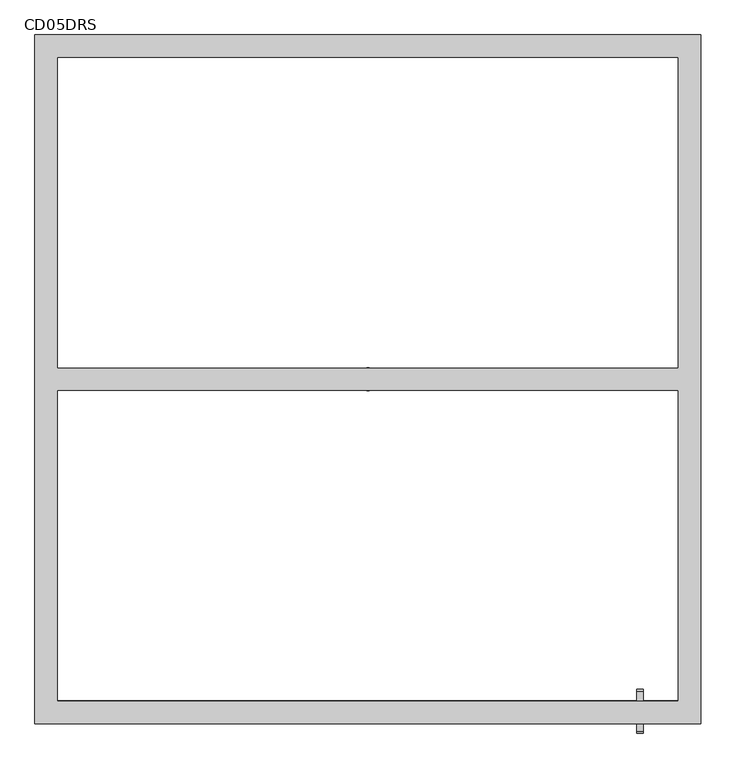
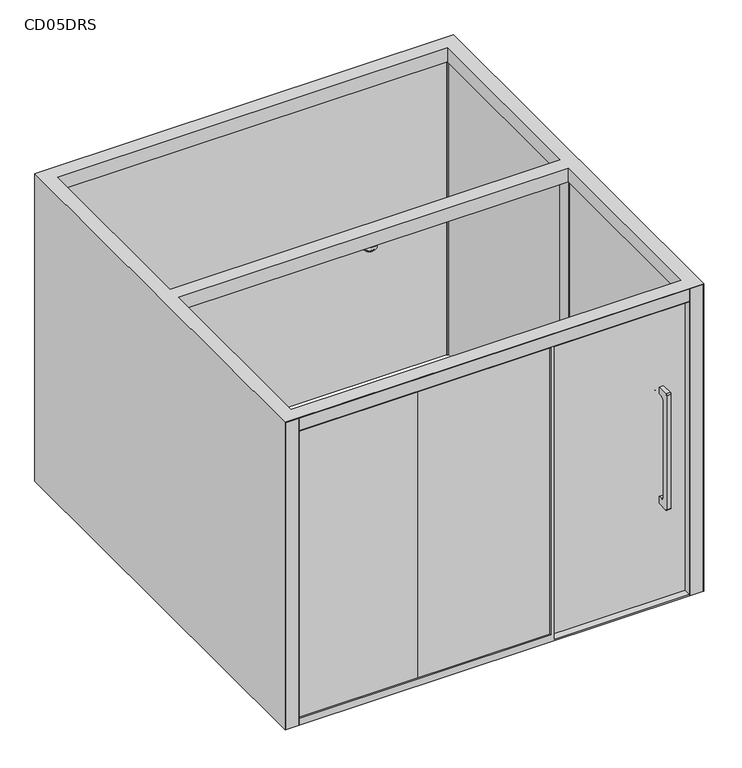
"""IFC4 building model written with IfcOpenShell, lengths in millimetres: furniture geometry, CD05DRS."""

from ifc_helpers import new_model, si_unit, point, frame, frame_2d, origin, origin_with_axes, place, context, project, spatial, polyline, circle_curve, ellipse_curve, trimmed, segment, composite_curve, outline, extrude, faceted_brep, source, transform, mapped, element, save
from ifc_brep_helpers import plane_surface, cylinder_surface, revolved_surface, advanced_brep


def cd05drs_09f4991d(model_context):
    return source(origin(), model_context, "Body", "SolidModel", [
        faceted_brep([(390.0, -1425.0, 50.0), (390.0, -1400.0, 50.0), (-1350.0, -1400.0, 50.0), (-1350.0, -1500.0, 50.0), (390.0, -1500.0, 50.0), (390.0, -1450.0, 50.0), (-590.0, -1450.0, 50.0), (-590.0, -1425.0, 50.0), (-1450.0, 1500.0, 0.0), (1450.0, 1500.0, 0.0), (1450.0, -1500.0, 0.0), (1447.0, -1500.0, 0.0), (1447.0, -1490.0, 0.0), (1353.0, -1490.0, 0.0), (1353.0, -1500.0, 0.0), (-1353.0, -1500.0, 0.0), (-1353.0, -1490.0, 0.0), (-1447.0, -1490.0, 0.0), (-1447.0, -1500.0, 0.0), (-1450.0, -1500.0, 0.0), (1360.0, -1400.0, 0.0), (1360.0, -50.0, 0.0), (1350.0, -50.0, 0.0), (1350.0, 50.0, 0.0), (1360.0, 50.0, 0.0), (1360.0, 1400.0, 0.0), (1350.0, 1400.0, 0.0), (1350.0, 1410.0, 0.0), (-1350.0, 1410.0, 0.0), (-1350.0, 1400.0, 0.0), (-1360.0, 1400.0, 0.0), (-1360.0, 50.0, 0.0), (-1350.0, 50.0, 0.0), (-1350.0, -50.0, 0.0), (-1360.0, -50.0, 0.0), (-1360.0, -1400.0, 0.0), (-1450.0, 1500.0, 2250.0), (1450.0, 1500.0, 2250.0), (-1450.0, -1500.0, 2250.0), (-1350.0, 50.0, 2150.0), (-1350.0, -50.0, 2150.0), (-1350.0, -1400.0, 2250.0), (-1350.0, -1400.0, 2150.0), (-1350.0, -50.0, 2250.0), (-1350.0, 1400.0, 2150.0), (-1350.0, 1400.0, 2250.0), (-1350.0, 50.0, 2250.0), (-1360.0, 1400.0, 2150.0), (1360.0, 50.0, 2150.0), (1360.0, 1400.0, 2150.0), (1450.0, -1500.0, 2250.0), (1350.0, 50.0, 2150.0), (1350.0, -50.0, 2150.0), (1350.0, 1400.0, 2250.0), (1350.0, 1400.0, 2150.0), (1350.0, 50.0, 2250.0), (1350.0, -1400.0, 2150.0), (1350.0, -1400.0, 2250.0), (1350.0, -50.0, 2250.0), (1360.0, -50.0, 2150.0), (1360.0, -1400.0, 2150.0), (-1360.0, -50.0, 2150.0), (-1360.0, -1400.0, 2150.0), (-1360.0, 50.0, 2150.0), (-1350.0, 1410.0, 2150.0), (1350.0, 1410.0, 2150.0), (-1353.0, -1490.0, 2153.0), (1353.0, -1490.0, 2153.0), (1447.0, -1490.0, 2247.0), (-1447.0, -1490.0, 2247.0), (1353.0, -1500.0, 2153.0), (-1353.0, -1500.0, 2153.0), (-1350.0, -1500.0, 2150.0), (390.0, -1500.0, 2150.0), (415.0, -1500.0, 10.0), (415.0, -1500.0, 2150.0), (1350.0, -1500.0, 2150.0), (1350.0, -1500.0, 10.0), (-1447.0, -1500.0, 2247.0), (1447.0, -1500.0, 2247.0), (-590.0, -1450.0, 10.0), (-590.0, -1425.0, 10.0), (390.0, -1400.0, 10.0), (1350.0, -1400.0, 10.0), (390.0, -1425.0, 10.0), (415.0, -1450.0, 10.0), (390.0, -1450.0, 2150.0), (415.0, -1450.0, 2150.0)], [[[0, 1, 2, 3, 4, 5, 6, 7]], [[8, 9, 10, 11, 12, 13, 14, 15, 16, 17, 18, 19], [20, 21, 22, 23, 24, 25, 26, 27, 28, 29, 30, 31, 32, 33, 34, 35]], [[9, 8, 36, 37]], [[8, 19, 38, 36]], [[33, 32, 39, 40]], [[41, 42, 40, 43]], [[44, 45, 46, 39]], [[30, 29, 44, 47]], [[25, 24, 48, 49]], [[10, 9, 37, 50]], [[24, 23, 51, 48]], [[23, 22, 52, 51]], [[53, 54, 51, 55]], [[56, 57, 58, 52]], [[22, 21, 59, 52]], [[21, 20, 60, 59]], [[35, 34, 61, 62]], [[34, 33, 40, 61]], [[32, 31, 63, 39]], [[31, 30, 47, 63]], [[29, 28, 64, 44]], [[28, 27, 65, 64]], [[27, 26, 54, 65]], [[26, 25, 49, 54]], [[17, 16, 66, 67, 13, 12, 68, 69]], [[15, 14, 70, 71], [4, 3, 72, 73], [74, 75, 76, 77]], [[38, 19, 18, 78, 79, 11, 10, 50]], [[7, 6, 80, 81]], [[82, 83, 56, 60, 20, 35, 62, 42, 2, 1]], [[0, 84, 82, 1]], [[84, 0, 7, 81]], [[84, 81, 80, 85, 74, 77, 83, 82]], [[6, 5, 86, 87, 85, 80]], [[2, 42, 72, 3]], [[56, 83, 77, 76]], [[4, 73, 86, 5]], [[87, 75, 74, 85]], [[50, 37, 36, 38], [57, 41, 43, 58], [45, 53, 55, 46]], [[40, 42, 62, 61]], [[44, 39, 63, 47]], [[51, 54, 49, 48]], [[56, 52, 59, 60]], [[72, 42, 56, 76, 75, 87, 86, 73]], [[54, 44, 64, 65]], [[41, 57, 56, 42]], [[53, 45, 44, 54]], [[52, 40, 39, 51]], [[51, 39, 46, 55]], [[40, 52, 58, 43]], [[78, 18, 17, 69]], [[79, 78, 69, 68]], [[71, 70, 67, 66]], [[15, 71, 66, 16]], [[11, 79, 68, 12]], [[70, 14, 13, 67]]]),
        extrude(outline(composite_curve([segment(polyline([(-1440.0, 1510.0), (-1440.0, 1560.0), (-1358.0, 1560.0)]), True, "CONTINUOUS"), segment(trimmed(circle_curve(frame_2d((-1358.0, 1552.0)), 8.0), [point((-1358.0, 1560.0))], [point((-1350.0, 1552.0))], False, "CARTESIAN"), True, "CONTINUOUS"), segment(polyline([(-1350.0, 1552.0), (-1350.0, 718.0)]), True, "CONTINUOUS"), segment(trimmed(circle_curve(frame_2d((-1358.0, 718.0)), 8.0), [point((-1350.0, 718.0))], [point((-1358.0, 710.0))], False, "CARTESIAN"), True, "CONTINUOUS"), segment(polyline([(-1358.0, 710.0), (-1440.0, 710.0), (-1440.0, 760.0), (-1415.0, 760.0)]), True, "CONTINUOUS"), segment(trimmed(circle_curve(frame_2d((-1415.0, 785.0)), 25.0), [point((-1415.0, 760.0))], [point((-1390.0, 785.0))], True, "CARTESIAN"), True, "CONTINUOUS"), segment(polyline([(-1390.0, 785.0), (-1390.0, 1485.0)]), True, "CONTINUOUS"), segment(trimmed(circle_curve(frame_2d((-1415.0, 1485.0)), 25.0), [point((-1390.0, 1485.0))], [point((-1415.0, 1510.0))], True, "CARTESIAN"), True, "CONTINUOUS"), segment(polyline([(-1415.0, 1510.0), (-1440.0, 1510.0)]), True, "CONTINUOUS")], self_intersect=False)), frame((1170.0, 0.0, 0.0), z_axis=(1.0, 0.0, 0.0), x_axis=(0.0, 1.0, 0.0)), (0.0, 0.0, 1.0), 30.0),
        extrude(outline(composite_curve([segment(polyline([(-1450.0, 1510.0), (-1475.0, 1510.0)]), True, "CONTINUOUS"), segment(trimmed(circle_curve(frame_2d((-1475.0, 1485.0)), 25.0), [point((-1475.0, 1510.0))], [point((-1500.0, 1485.0))], True, "CARTESIAN"), True, "CONTINUOUS"), segment(polyline([(-1500.0, 1485.0), (-1500.0, 785.0)]), True, "CONTINUOUS"), segment(trimmed(circle_curve(frame_2d((-1475.0, 785.0)), 25.0), [point((-1500.0, 785.0))], [point((-1475.0, 760.0))], True, "CARTESIAN"), True, "CONTINUOUS"), segment(polyline([(-1475.0, 760.0), (-1450.0, 760.0), (-1450.0, 710.0), (-1532.0, 710.0)]), True, "CONTINUOUS"), segment(trimmed(circle_curve(frame_2d((-1532.0, 718.0)), 8.0), [point((-1532.0, 710.0))], [point((-1540.0, 718.0))], False, "CARTESIAN"), True, "CONTINUOUS"), segment(polyline([(-1540.0, 718.0), (-1540.0, 1552.0)]), True, "CONTINUOUS"), segment(trimmed(circle_curve(frame_2d((-1532.0, 1552.0)), 8.0), [point((-1540.0, 1552.0))], [point((-1532.0, 1560.0))], False, "CARTESIAN"), True, "CONTINUOUS"), segment(polyline([(-1532.0, 1560.0), (-1450.0, 1560.0), (-1450.0, 1510.0)]), True, "CONTINUOUS")], self_intersect=False)), frame((1170.0, 0.0, 0.0), z_axis=(1.0, 0.0, 0.0), x_axis=(0.0, 1.0, 0.0)), (0.0, 0.0, 1.0), 30.0),
        extrude(outline(polyline([(-525.0, -1490.0), (-1350.0, -1490.0), (-1350.0, -1480.0), (-525.0, -1480.0), (-525.0, -1490.0)])), frame((0.0, 0.0, 50.0), z_axis=(0.0, 0.0, 1.0), x_axis=(1.0, 0.0, 0.0)), (0.0, 0.0, 1.0), 2100.0),
        extrude(outline(polyline([(390.0, -1490.0), (-525.0, -1490.0), (-525.0, -1480.0), (390.0, -1480.0), (390.0, -1490.0)])), frame((0.0, 0.0, 50.0), z_axis=(0.0, 0.0, 1.0), x_axis=(1.0, 0.0, 0.0)), (0.0, 0.0, 1.0), 2100.0),
        extrude(outline(polyline([(390.0, -1450.0), (390.0, -1440.0), (1350.0, -1440.0), (1350.0, -1450.0), (390.0, -1450.0)])), frame((0.0, 0.0, 10.0), z_axis=(0.0, 0.0, 1.0), x_axis=(1.0, 0.0, 0.0)), (0.0, 0.0, 1.0), 2140.0),
        extrude(outline(polyline([(-1353.0, -1490.0), (-1353.0, -1500.0), (-1447.0, -1500.0), (-1447.0, -1490.0), (-1353.0, -1490.0)])), origin_with_axes(), (0.0, 0.0, 1.0), 2247.0),
        extrude(outline(polyline([(1447.0, -1490.0), (1447.0, -1500.0), (1353.0, -1500.0), (1353.0, -1490.0), (1447.0, -1490.0)])), origin_with_axes(), (0.0, 0.0, 1.0), 2247.0),
        extrude(outline(polyline([(1350.0, -1500.0), (-1353.0, -1500.0), (-1353.0, -1490.0), (1350.0, -1490.0), (1350.0, -1500.0)])), frame((0.0, 0.0, 2153.0), z_axis=(0.0, 0.0, 1.0), x_axis=(1.0, 0.0, 0.0)), (0.0, 0.0, 1.0), 94.0),
        extrude(outline(polyline([(-1345.0, 17.5), (-1310.0, 17.5), (-1310.0, -17.5), (-1345.0, -17.5), (-1345.0, 17.5)])), frame((0.0, 0.0, 2149.0), z_axis=(0.0, 0.0, 1.0), x_axis=(1.0, 0.0, 0.0)), (0.0, 0.0, 1.0), 1.0),
        extrude(outline(polyline([(-1305.0, -17.5), (-1305.0, 17.5), (-1270.0, 17.5), (-1270.0, -17.5), (-1305.0, -17.5)])), frame((0.0, 0.0, 2149.0), z_axis=(0.0, 0.0, 1.0), x_axis=(1.0, 0.0, 0.0)), (0.0, 0.0, 1.0), 1.0),
        extrude(outline(polyline([(-1230.0, -17.5), (-1265.0, -17.5), (-1265.0, 17.5), (-1230.0, 17.5), (-1230.0, -17.5)])), frame((0.0, 0.0, 2149.0), z_axis=(0.0, 0.0, 1.0), x_axis=(1.0, 0.0, 0.0)), (0.0, 0.0, 1.0), 1.0),
        extrude(outline(polyline([(-1225.0, -17.5), (-1225.0, 17.5), (-1190.0, 17.5), (-1190.0, -17.5), (-1225.0, -17.5)])), frame((0.0, 0.0, 2149.0), z_axis=(0.0, 0.0, 1.0), x_axis=(1.0, 0.0, 0.0)), (0.0, 0.0, 1.0), 1.0),
        extrude(outline(polyline([(-605.0, 17.5), (-570.0, 17.5), (-570.0, -17.5), (-605.0, -17.5), (-605.0, 17.5)])), frame((0.0, 0.0, 2149.0), z_axis=(0.0, 0.0, 1.0), x_axis=(1.0, 0.0, 0.0)), (0.0, 0.0, 1.0), 1.0),
        extrude(outline(polyline([(-565.0, -17.5), (-565.0, 17.5), (-530.0, 17.5), (-530.0, -17.5), (-565.0, -17.5)])), frame((0.0, 0.0, 2149.0), z_axis=(0.0, 0.0, 1.0), x_axis=(1.0, 0.0, 0.0)), (0.0, 0.0, 1.0), 1.0),
        extrude(outline(polyline([(-490.0, -17.5), (-525.0, -17.5), (-525.0, 17.5), (-490.0, 17.5), (-490.0, -17.5)])), frame((0.0, 0.0, 2149.0), z_axis=(0.0, 0.0, 1.0), x_axis=(1.0, 0.0, 0.0)), (0.0, 0.0, 1.0), 1.0),
        extrude(outline(polyline([(-485.0, -17.5), (-485.0, 17.5), (-450.0, 17.5), (-450.0, -17.5), (-485.0, -17.5)])), frame((0.0, 0.0, 2149.0), z_axis=(0.0, 0.0, 1.0), x_axis=(1.0, 0.0, 0.0)), (0.0, 0.0, 1.0), 1.0),
        extrude(outline(polyline([(1345.0, 17.5), (1345.0, -17.5), (1310.0, -17.5), (1310.0, 17.5), (1345.0, 17.5)])), frame((0.0, 0.0, 2149.0), z_axis=(0.0, 0.0, 1.0), x_axis=(1.0, 0.0, 0.0)), (0.0, 0.0, 1.0), 1.0),
        extrude(outline(polyline([(1305.0, -17.5), (1270.0, -17.5), (1270.0, 17.5), (1305.0, 17.5), (1305.0, -17.5)])), frame((0.0, 0.0, 2149.0), z_axis=(0.0, 0.0, 1.0), x_axis=(1.0, 0.0, 0.0)), (0.0, 0.0, 1.0), 1.0),
        extrude(outline(polyline([(1230.0, -17.5), (1230.0, 17.5), (1265.0, 17.5), (1265.0, -17.5), (1230.0, -17.5)])), frame((0.0, 0.0, 2149.0), z_axis=(0.0, 0.0, 1.0), x_axis=(1.0, 0.0, 0.0)), (0.0, 0.0, 1.0), 1.0),
        extrude(outline(polyline([(1225.0, -17.5), (1190.0, -17.5), (1190.0, 17.5), (1225.0, 17.5), (1225.0, -17.5)])), frame((0.0, 0.0, 2149.0), z_axis=(0.0, 0.0, 1.0), x_axis=(1.0, 0.0, 0.0)), (0.0, 0.0, 1.0), 1.0),
        extrude(outline(polyline([(605.0, 17.5), (605.0, -17.5), (570.0, -17.5), (570.0, 17.5), (605.0, 17.5)])), frame((0.0, 0.0, 2149.0), z_axis=(0.0, 0.0, 1.0), x_axis=(1.0, 0.0, 0.0)), (0.0, 0.0, 1.0), 1.0),
        extrude(outline(polyline([(565.0, -17.5), (530.0, -17.5), (530.0, 17.5), (565.0, 17.5), (565.0, -17.5)])), frame((0.0, 0.0, 2149.0), z_axis=(0.0, 0.0, 1.0), x_axis=(1.0, 0.0, 0.0)), (0.0, 0.0, 1.0), 1.0),
        extrude(outline(polyline([(490.0, -17.5), (490.0, 17.5), (525.0, 17.5), (525.0, -17.5), (490.0, -17.5)])), frame((0.0, 0.0, 2149.0), z_axis=(0.0, 0.0, 1.0), x_axis=(1.0, 0.0, 0.0)), (0.0, 0.0, 1.0), 1.0),
        extrude(outline(polyline([(485.0, -17.5), (450.0, -17.5), (450.0, 17.5), (485.0, 17.5), (485.0, -17.5)])), frame((0.0, 0.0, 2149.0), z_axis=(0.0, 0.0, 1.0), x_axis=(1.0, 0.0, 0.0)), (0.0, 0.0, 1.0), 1.0),
        advanced_brep(
        [(50.0, 0.0, 2144.0), (-50.0, 0.0, 2144.0), (-25.0, 0.0, 2144.0), (25.0, 0.0, 2144.0), (47.8127834, 0.0, 2119.0), (-47.8127834, 0.0, 2119.0), (37.6322764, 0.0, 2114.2527516), (-37.6322764, 0.0, 2114.2527516), (32.3113907, 0.0, 2109.3770582), (-32.3113907, 0.0, 2109.3770582), (26.8975436, 0.0, 2100.0), (-26.8975436, 0.0, 2100.0), (18.2372896, 0.0, 2095.0), (-18.2372896, 0.0, 2095.0), (0.0, 0.0, 2095.0), (25.0, 0.0, 2150.0), (-25.0, 0.0, 2150.0), (0.0, 0.0, 2150.0)],
        [
            (0, 1, circle_curve(frame((0.0, 0.0, 2144.0), z_axis=(0.0, 0.0, 1.0), x_axis=(-1.0, 0.0, 0.0)), 50.0)),
            (1, 2),
            (2, 3, circle_curve(frame((0.0, 0.0, 2144.0), z_axis=(0.0, 0.0, -1.0), x_axis=(-1.0, 0.0, 0.0)), 25.0)),
            (3, 0),
            (1, 0, circle_curve(frame((0.0, 0.0, 2144.0), z_axis=(0.0, 0.0, 1.0), x_axis=(-1.0, 0.0, 0.0)), 50.0)),
            (3, 2, circle_curve(frame((0.0, 0.0, 2144.0), z_axis=(0.0, 0.0, -1.0), x_axis=(-1.0, 0.0, 0.0)), 25.0)),
            (4, 5, circle_curve(frame((0.0, 0.0, 2119.0), z_axis=(0.0, 0.0, 1.0), x_axis=(-1.0, 0.0, 0.0)), 47.8127834)),
            (5, 1),
            (0, 4),
            (5, 4, circle_curve(frame((0.0, 0.0, 2119.0), z_axis=(0.0, 0.0, 1.0), x_axis=(-1.0, 0.0, 0.0)), 47.8127834)),
            (6, 7, circle_curve(frame((0.0, 0.0, 2114.2527516), z_axis=(0.0, 0.0, 1.0), x_axis=(-1.0, 0.0, 0.0)), 37.6322764)),
            (7, 5),
            (4, 6),
            (7, 6, circle_curve(frame((0.0, 0.0, 2114.2527516), z_axis=(0.0, 0.0, 1.0), x_axis=(-1.0, 0.0, 0.0)), 37.6322764)),
            (8, 9, circle_curve(frame((0.0, 0.0, 2109.3770582), z_axis=(0.0, 0.0, 1.0), x_axis=(-1.0, 0.0, 0.0)), 32.3113907)),
            (9, 7, circle_curve(frame((-42.7036955, 0.0, 2103.3770582), z_axis=(0.0, -1.0, 0.0), x_axis=(1.0, 0.0, 0.0)), 12.0)),
            (6, 8, circle_curve(frame((42.7036955, 0.0, 2103.3770582), z_axis=(0.0, -1.0, 0.0), x_axis=(-1.0, 0.0, 0.0)), 12.0)),
            (9, 8, circle_curve(frame((0.0, 0.0, 2109.3770582), z_axis=(0.0, 0.0, 1.0), x_axis=(-1.0, 0.0, 0.0)), 32.3113907)),
            (10, 11, circle_curve(frame((0.0, 0.0, 2100.0), z_axis=(0.0, 0.0, 1.0), x_axis=(-1.0, 0.0, 0.0)), 26.8975436)),
            (11, 9),
            (8, 10),
            (11, 10, circle_curve(frame((0.0, 0.0, 2100.0), z_axis=(0.0, 0.0, 1.0), x_axis=(-1.0, 0.0, 0.0)), 26.8975436)),
            (12, 13, circle_curve(frame((0.0, 0.0, 2095.0), z_axis=(0.0, 0.0, 1.0), x_axis=(-1.0, 0.0, 0.0)), 18.2372896)),
            (13, 11, circle_curve(frame((-18.2372896, 0.0, 2105.0), z_axis=(0.0, 1.0, 0.0), x_axis=(1.0, 0.0, 0.0)), 10.0)),
            (10, 12, circle_curve(frame((18.2372896, 0.0, 2105.0), z_axis=(0.0, 1.0, 0.0), x_axis=(-1.0, 0.0, 0.0)), 10.0)),
            (13, 12, circle_curve(frame((0.0, 0.0, 2095.0), z_axis=(0.0, 0.0, 1.0), x_axis=(-1.0, 0.0, 0.0)), 18.2372896)),
            (14, 13),
            (12, 14),
            (15, 16, circle_curve(frame((0.0, 0.0, 2150.0), z_axis=(0.0, 0.0, 1.0), x_axis=(-1.0, 0.0, 0.0)), 25.0)),
            (16, 17),
            (17, 15),
            (16, 15, circle_curve(frame((0.0, 0.0, 2150.0), z_axis=(0.0, 0.0, 1.0), x_axis=(-1.0, 0.0, 0.0)), 25.0)),
            (2, 16),
            (15, 3),
        ],
        [
            plane_surface(frame((0.0, 0.0, 2144.0), z_axis=(0.0, 0.0, 1.0), x_axis=(-1.0, 0.0, 0.0))),
            revolved_surface(polyline([(-50.0, 0.0, 2144.0), (-47.8127834, 0.0, 2119.0)]), (0.0, 0.0, 2265.0), (0.0, 0.0, -1.0)),
            revolved_surface(polyline([(-47.8127834, 0.0, 2119.0), (-37.6322764, 0.0, 2114.2527516)]), (0.0, 0.0, 2265.0), (0.0, 0.0, -1.0)),
            revolved_surface(trimmed(ellipse_curve(frame((-42.7036955, 0.0, 2103.3770582), z_axis=(0.0, 1.0, 0.0), x_axis=(1.0, 0.0, 0.0)), 12.0, 12.0), [point((-37.6322764, 0.0, 2114.2527516))], [point((-32.3113907, 0.0, 2109.3770582))], True, "CARTESIAN"), (0.0, 0.0, 2265.0), (0.0, 0.0, -1.0)),
            revolved_surface(polyline([(-32.3113907, 0.0, 2109.3770582), (-26.8975436, 0.0, 2100.0)]), (0.0, 0.0, 2265.0), (0.0, 0.0, -1.0)),
            revolved_surface(trimmed(ellipse_curve(frame((-18.2372896, 0.0, 2105.0), z_axis=(0.0, -1.0, 0.0), x_axis=(1.0, 0.0, 0.0)), 10.0, 10.0), [point((-26.8975436, 0.0, 2100.0))], [point((-18.2372896, 0.0, 2095.0))], True, "CARTESIAN"), (0.0, 0.0, 2265.0), (0.0, 0.0, -1.0)),
            plane_surface(frame((0.0, 0.0, 2095.0), z_axis=(0.0, 0.0, -1.0), x_axis=(-1.0, 0.0, 0.0))),
            plane_surface(frame((0.0, 0.0, 2150.0), z_axis=(0.0, 0.0, 1.0), x_axis=(-1.0, 0.0, 0.0))),
            cylinder_surface(frame((0.0, 0.0, 2265.0), z_axis=(0.0, 0.0, -1.0), x_axis=(-1.0, 0.0, 0.0)), 25.0),
        ],
        [
            (0, [[1, 2, 3, 4]]),
            (0, [[5, -4, 6, -2]]),
            (1, [[7, 8, -1, 9]]),
            (1, [[10, -9, -5, -8]]),
            (2, [[11, 12, -7, 13]]),
            (2, [[14, -13, -10, -12]]),
            (3, [[15, 16, -11, 17]]),
            (3, [[18, -17, -14, -16]]),
            (4, [[19, 20, -15, 21]]),
            (4, [[22, -21, -18, -20]]),
            (5, [[23, 24, -19, 25]]),
            (5, [[26, -25, -22, -24]]),
            (6, [[27, -23, 28]]),
            (6, [[-28, -26, -27]]),
            (7, [[29, 30, 31]]),
            (7, [[32, -31, -30]]),
            (8, [[-3, 33, -29, 34]]),
            (8, [[-6, -34, -32, -33]]),
        ],
    ),
    ])


if __name__ == "__main__":
    model = new_model("IFC4")
    model_context = context("Model", 3, world=origin())
    ifc_project = project(units=[si_unit("LENGTHUNIT", "METRE", prefix="MILLI")], contexts=[model_context])
    site = spatial("IfcSite", under=ifc_project)
    building = spatial("IfcBuilding", under=site)
    placement = place(None, origin())
    cd05drs_shape = cd05drs_09f4991d(model_context)
    element("IfcFurniture", 1, ObjectType="CD05DRS", at=placement, inside=building, context=model_context, shape_type="MappedRepresentation", body=[
        mapped(cd05drs_shape, transform((0.0, 0.0, 0.0), x_axis=(1.0, 0.0, 0.0), y_axis=(0.0, 1.0, 0.0), z_axis=(0.0, 0.0, 1.0))),
    ])
    save(model, "model.ifc")
